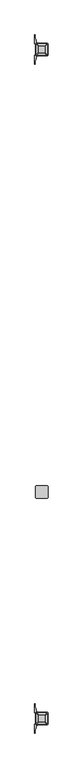
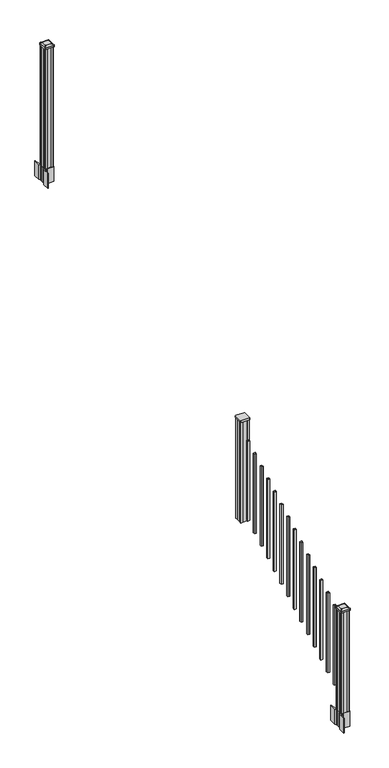
"""IFC4 building model written with IfcOpenShell, lengths in millimetres: railing geometry."""

from ifc_helpers import new_model, si_unit, point, frame, frame_2d, origin, place, context, project, spatial, polyline, circle_curve, trimmed, segment, composite_curve, outline, extrude, source, transform, mapped, element, save
from ifc_brep_helpers import plane_surface, extruded_surface, advanced_brep


def railing_d0639e33(model_context):
    return source(origin(), model_context, "Body", "SolidModel", [
        extrude(outline(composite_curve([segment(trimmed(circle_curve(frame_2d((7087.4114534, -6074.6042181)), 3.175), [point((7087.4114534, -6077.7792181))], [point((7084.2364534, -6074.6042181))], False, "CARTESIAN"), True, "CONTINUOUS"), segment(polyline([(7084.2364534, -6074.6042181), (7084.2364534, -5990.4667181)]), True, "CONTINUOUS"), segment(trimmed(circle_curve(frame_2d((7087.4114534, -5990.4667181)), 3.175), [point((7084.2364534, -5990.4667181))], [point((7087.4114534, -5987.2917181))], False, "CARTESIAN"), True, "CONTINUOUS"), segment(polyline([(7087.4114534, -5987.2917181), (7171.5489534, -5987.2917181)]), True, "CONTINUOUS"), segment(trimmed(circle_curve(frame_2d((7171.5489534, -5990.4667181)), 3.175), [point((7171.5489534, -5987.2917181))], [point((7174.7239534, -5990.4667181))], False, "CARTESIAN"), True, "CONTINUOUS"), segment(polyline([(7174.7239534, -5990.4667181), (7174.7239534, -6074.6042181)]), True, "CONTINUOUS"), segment(trimmed(circle_curve(frame_2d((7171.5489534, -6074.6042181)), 3.175), [point((7174.7239534, -6074.6042181))], [point((7171.5489534, -6077.7792181))], False, "CARTESIAN"), True, "CONTINUOUS"), segment(polyline([(7171.5489534, -6077.7792181), (7087.4114534, -6077.7792181)]), True, "CONTINUOUS")], self_intersect=False)), frame((0.0, 0.0, 2110.2998186), z_axis=(0.0, 0.0, 1.0), x_axis=(1.0, 0.0, 0.0)), (0.0, 0.0, 1.0), 17.272),
        extrude(outline(polyline([(7089.7927034, -6073.8104681), (7088.2052034, -6072.2229681), (7088.2052034, -6052.6014681), (7089.7927034, -6051.8394681), (7089.7927034, -6013.2314681), (7088.2052034, -6012.4694681), (7088.2052034, -5992.8479681), (7089.7927034, -5991.2604681), (7109.4142034, -5991.2604681), (7110.1762034, -5992.8479681), (7148.7842034, -5992.8479681), (7149.5462034, -5991.2604681), (7169.1677034, -5991.2604681), (7170.7552034, -5992.8479681), (7170.7552034, -6012.4694681), (7169.1677034, -6013.2314681), (7169.1677034, -6051.8394681), (7170.7552034, -6052.6014681), (7170.7552034, -6072.2229681), (7169.1677034, -6073.8104681), (7149.5462034, -6073.8104681), (7148.7842034, -6072.2229681), (7110.1762034, -6072.2229681), (7109.4142034, -6073.8104681), (7089.7927034, -6073.8104681)])), frame((0.0, 0.0, 1078.9355556), z_axis=(0.0, 0.0, 1.0), x_axis=(1.0, 0.0, 0.0)), (0.0, 0.0, 1.0), 1031.364263),
        extrude(outline(polyline([(7139.0052034, -6137.5644681), (7119.9552034, -6137.5644681), (7119.9552034, -6118.5144681), (7139.0052034, -6118.5144681), (7139.0052034, -6137.5644681)]), holes=[polyline([(7138.6083284, -6137.1675931), (7138.6083284, -6118.9113431), (7120.3520784, -6118.9113431), (7120.3520784, -6137.1675931), (7138.6083284, -6137.1675931)])]), frame((0.0, 0.0, 1127.4736558), z_axis=(0.0, 0.0, 1.0), x_axis=(1.0, 0.0, 0.0)), (0.0, 0.0, 1.0), 812.8041219),
        extrude(outline(polyline([(7139.0052034, -6248.8164681), (7119.9552034, -6248.8164681), (7119.9552034, -6229.7664681), (7139.0052034, -6229.7664681), (7139.0052034, -6248.8164681)]), holes=[polyline([(7138.6083284, -6248.4195931), (7138.6083284, -6230.1633431), (7120.3520784, -6230.1633431), (7120.3520784, -6248.4195931), (7138.6083284, -6248.4195931)])]), frame((0.0, 0.0, 1065.6669892), z_axis=(0.0, 0.0, 1.0), x_axis=(1.0, 0.0, 0.0)), (0.0, 0.0, 1.0), 812.8041219),
        extrude(outline(polyline([(7139.0052034, -6360.0684681), (7119.9552034, -6360.0684681), (7119.9552034, -6341.0184681), (7139.0052034, -6341.0184681), (7139.0052034, -6360.0684681)]), holes=[polyline([(7138.6083284, -6359.6715931), (7138.6083284, -6341.4153431), (7120.3520784, -6341.4153431), (7120.3520784, -6359.6715931), (7138.6083284, -6359.6715931)])]), frame((0.0, 0.0, 1003.8603225), z_axis=(0.0, 0.0, 1.0), x_axis=(1.0, 0.0, 0.0)), (0.0, 0.0, 1.0), 812.8041219),
        extrude(outline(polyline([(7139.0052034, -6471.3204681), (7119.9552034, -6471.3204681), (7119.9552034, -6452.2704681), (7139.0052034, -6452.2704681), (7139.0052034, -6471.3204681)]), holes=[polyline([(7138.6083284, -6470.9235931), (7138.6083284, -6452.6673431), (7120.3520784, -6452.6673431), (7120.3520784, -6470.9235931), (7138.6083284, -6470.9235931)])]), frame((0.0, 0.0, 942.0536558), z_axis=(0.0, 0.0, 1.0), x_axis=(1.0, 0.0, 0.0)), (0.0, 0.0, 1.0), 812.8041219),
        extrude(outline(polyline([(7139.0052034, -6582.5724681), (7119.9552034, -6582.5724681), (7119.9552034, -6563.5224681), (7139.0052034, -6563.5224681), (7139.0052034, -6582.5724681)]), holes=[polyline([(7138.6083284, -6582.1755931), (7138.6083284, -6563.9193431), (7120.3520784, -6563.9193431), (7120.3520784, -6582.1755931), (7138.6083284, -6582.1755931)])]), frame((0.0, 0.0, 880.2469892), z_axis=(0.0, 0.0, 1.0), x_axis=(1.0, 0.0, 0.0)), (0.0, 0.0, 1.0), 812.8041219),
        extrude(outline(polyline([(7139.0052034, -6693.8244681), (7119.9552034, -6693.8244681), (7119.9552034, -6674.7744681), (7139.0052034, -6674.7744681), (7139.0052034, -6693.8244681)]), holes=[polyline([(7138.6083284, -6693.4275931), (7138.6083284, -6675.1713431), (7120.3520784, -6675.1713431), (7120.3520784, -6693.4275931), (7138.6083284, -6693.4275931)])]), frame((0.0, 0.0, 818.4403225), z_axis=(0.0, 0.0, 1.0), x_axis=(1.0, 0.0, 0.0)), (0.0, 0.0, 1.0), 812.8041219),
        extrude(outline(polyline([(7139.0052034, -6805.0764681), (7119.9552034, -6805.0764681), (7119.9552034, -6786.0264681), (7139.0052034, -6786.0264681), (7139.0052034, -6805.0764681)]), holes=[polyline([(7138.6083284, -6804.6795931), (7138.6083284, -6786.4233431), (7120.3520784, -6786.4233431), (7120.3520784, -6804.6795931), (7138.6083284, -6804.6795931)])]), frame((0.0, 0.0, 756.6336558), z_axis=(0.0, 0.0, 1.0), x_axis=(1.0, 0.0, 0.0)), (0.0, 0.0, 1.0), 812.8041219),
        extrude(outline(polyline([(7139.0052034, -6916.3284681), (7119.9552034, -6916.3284681), (7119.9552034, -6897.2784681), (7139.0052034, -6897.2784681), (7139.0052034, -6916.3284681)]), holes=[polyline([(7138.6083284, -6915.9315931), (7138.6083284, -6897.6753431), (7120.3520784, -6897.6753431), (7120.3520784, -6915.9315931), (7138.6083284, -6915.9315931)])]), frame((0.0, 0.0, 694.8269892), z_axis=(0.0, 0.0, 1.0), x_axis=(1.0, 0.0, 0.0)), (0.0, 0.0, 1.0), 812.8041219),
        extrude(outline(polyline([(7139.0052034, -7027.5804681), (7119.9552034, -7027.5804681), (7119.9552034, -7008.5304681), (7139.0052034, -7008.5304681), (7139.0052034, -7027.5804681)]), holes=[polyline([(7138.6083284, -7027.1835931), (7138.6083284, -7008.9273431), (7120.3520784, -7008.9273431), (7120.3520784, -7027.1835931), (7138.6083284, -7027.1835931)])]), frame((0.0, 0.0, 633.0203225), z_axis=(0.0, 0.0, 1.0), x_axis=(1.0, 0.0, 0.0)), (0.0, 0.0, 1.0), 812.8041219),
        extrude(outline(polyline([(7139.0052034, -7138.8324681), (7119.9552034, -7138.8324681), (7119.9552034, -7119.7824681), (7139.0052034, -7119.7824681), (7139.0052034, -7138.8324681)]), holes=[polyline([(7138.6083284, -7138.4355931), (7138.6083284, -7120.1793431), (7120.3520784, -7120.1793431), (7120.3520784, -7138.4355931), (7138.6083284, -7138.4355931)])]), frame((0.0, 0.0, 571.2136558), z_axis=(0.0, 0.0, 1.0), x_axis=(1.0, 0.0, 0.0)), (0.0, 0.0, 1.0), 812.8041219),
        extrude(outline(polyline([(7139.0052034, -7250.0844681), (7119.9552034, -7250.0844681), (7119.9552034, -7231.0344681), (7139.0052034, -7231.0344681), (7139.0052034, -7250.0844681)]), holes=[polyline([(7138.6083284, -7249.6875931), (7138.6083284, -7231.4313431), (7120.3520784, -7231.4313431), (7120.3520784, -7249.6875931), (7138.6083284, -7249.6875931)])]), frame((0.0, 0.0, 509.4069892), z_axis=(0.0, 0.0, 1.0), x_axis=(1.0, 0.0, 0.0)), (0.0, 0.0, 1.0), 812.8041219),
        extrude(outline(polyline([(7139.0052034, -7361.3364681), (7119.9552034, -7361.3364681), (7119.9552034, -7342.2864681), (7139.0052034, -7342.2864681), (7139.0052034, -7361.3364681)]), holes=[polyline([(7138.6083284, -7360.9395931), (7138.6083284, -7342.6833431), (7120.3520784, -7342.6833431), (7120.3520784, -7360.9395931), (7138.6083284, -7360.9395931)])]), frame((0.0, 0.0, 447.6003225), z_axis=(0.0, 0.0, 1.0), x_axis=(1.0, 0.0, 0.0)), (0.0, 0.0, 1.0), 812.8041219),
        extrude(outline(polyline([(7139.0052034, -7472.5884681), (7119.9552034, -7472.5884681), (7119.9552034, -7453.5384681), (7139.0052034, -7453.5384681), (7139.0052034, -7472.5884681)]), holes=[polyline([(7138.6083284, -7472.1915931), (7138.6083284, -7453.9353431), (7120.3520784, -7453.9353431), (7120.3520784, -7472.1915931), (7138.6083284, -7472.1915931)])]), frame((0.0, 0.0, 385.7936558), z_axis=(0.0, 0.0, 1.0), x_axis=(1.0, 0.0, 0.0)), (0.0, 0.0, 1.0), 812.8041219),
        extrude(outline(polyline([(7139.0052034, -7583.8404681), (7119.9552034, -7583.8404681), (7119.9552034, -7564.7904681), (7139.0052034, -7564.7904681), (7139.0052034, -7583.8404681)]), holes=[polyline([(7138.6083284, -7583.4435931), (7138.6083284, -7565.1873431), (7120.3520784, -7565.1873431), (7120.3520784, -7583.4435931), (7138.6083284, -7583.4435931)])]), frame((0.0, 0.0, 323.9869892), z_axis=(0.0, 0.0, 1.0), x_axis=(1.0, 0.0, 0.0)), (0.0, 0.0, 1.0), 812.8041219),
        extrude(outline(polyline([(7089.7927034, -2792.8924681), (7088.2052034, -2791.3049681), (7088.2052034, -2771.6834681), (7089.7927034, -2770.9214681), (7089.7927034, -2732.3134681), (7088.2052034, -2731.5514681), (7088.2052034, -2711.9299681), (7089.7927034, -2710.3424681), (7109.4142034, -2710.3424681), (7110.1762034, -2711.9299681), (7148.7842034, -2711.9299681), (7149.5462034, -2710.3424681), (7169.1677034, -2710.3424681), (7170.7552034, -2711.9299681), (7170.7552034, -2731.5514681), (7169.1677034, -2732.3134681), (7169.1677034, -2770.9214681), (7170.7552034, -2771.6834681), (7170.7552034, -2791.3049681), (7169.1677034, -2792.8924681), (7149.5462034, -2792.8924681), (7148.7842034, -2791.3049681), (7110.1762034, -2791.3049681), (7109.4142034, -2792.8924681), (7089.7927034, -2792.8924681)])), frame((0.0, 0.0, 2709.3333333), z_axis=(0.0, 0.0, 1.0), x_axis=(1.0, 0.0, 0.0)), (0.0, 0.0, 1.0), 1223.6987075),
        extrude(outline(composite_curve([segment(polyline([(7172.2157034, -2769.003563), (7173.8032034, -2769.765563), (7173.8032034, -2792.567491), (7170.4302263, -2795.9404681), (7108.9705555, -2795.9404681), (7108.9705555, -2796.8612181), (7103.6530117, -2796.8612181), (7103.6530117, -2798.3154728), (7098.568482, -2798.3154728), (7098.568482, -2799.5994966), (7096.9012097, -2799.5994966)]), True, "CONTINUOUS"), segment(trimmed(circle_curve(frame_2d((7096.9012097, -2806.6589565)), 7.0594599), [point((7096.9012097, -2799.5994966))], [point((7090.1339468, -2804.6489498))], True, "CARTESIAN"), True, "CONTINUOUS"), segment(polyline([(7090.1339468, -2804.6489498), (7082.2597526, -2831.1596789)]), True, "CONTINUOUS"), segment(trimmed(circle_curve(frame_2d((7137.0442659, -2847.4317285)), 57.15), [point((7082.2597526, -2831.1596789))], [point((7079.8942659, -2847.4317285))], True, "CARTESIAN"), True, "CONTINUOUS"), segment(polyline([(7079.8942659, -2847.4317285), (7079.8942659, -2859.4404681), (7076.8942659, -2859.4404681), (7076.8942659, -2794.3529681), (7085.1572034, -2783.0146768), (7085.1572034, -2769.765563), (7086.7447034, -2769.003563), (7086.7447034, -2734.2313732), (7085.1572034, -2733.4693732), (7085.1572034, -2720.2202594), (7076.8942659, -2708.8819681), (7076.8942659, -2643.7944681), (7079.8942659, -2643.7944681), (7079.8942659, -2655.8032076)]), True, "CONTINUOUS"), segment(trimmed(circle_curve(frame_2d((7137.0442659, -2655.8032076)), 57.15), [point((7079.8942659, -2655.8032076))], [point((7082.2597526, -2672.0752573))], True, "CARTESIAN"), True, "CONTINUOUS"), segment(polyline([(7082.2597526, -2672.0752573), (7090.1339468, -2698.5859864)]), True, "CONTINUOUS"), segment(trimmed(circle_curve(frame_2d((7096.9012097, -2696.5759797)), 7.0594599), [point((7090.1339468, -2698.5859864))], [point((7096.9012097, -2703.6354396))], True, "CARTESIAN"), True, "CONTINUOUS"), segment(polyline([(7096.9012097, -2703.6354396), (7098.568482, -2703.6354396), (7098.568482, -2704.9194634), (7103.6530117, -2704.9194634), (7103.6530117, -2706.3737181), (7108.9705555, -2706.3737181), (7108.9705555, -2707.2944681), (7170.4302263, -2707.2944681), (7173.8032034, -2710.6674452), (7173.8032034, -2733.4693732), (7172.2157034, -2734.2313732), (7172.2157034, -2769.003563)]), True, "CONTINUOUS")], self_intersect=False), holes=[polyline([(7088.2052034, -2711.9299681), (7088.2052034, -2791.3049681), (7089.7927034, -2792.8924681), (7126.716986, -2792.8924681), (7169.1677034, -2792.8924681), (7170.7552034, -2791.3049681), (7170.7552034, -2711.9299681), (7169.1677034, -2710.3424681), (7126.716986, -2710.3424681), (7089.7927034, -2710.3424681), (7088.2052034, -2711.9299681)])]), frame((0.0, 0.0, 2556.9333333), z_axis=(0.0, 0.0, 1.0), x_axis=(1.0, 0.0, 0.0)), (0.0, 0.0, 1.0), 152.4),
        advanced_brep(
        [(7103.6833284, -2780.5893431, 3961.6070408), (7155.2770784, -2780.5893431, 3961.6070408), (7158.4520784, -2777.4143431, 3961.6070408), (7158.4520784, -2725.8205931, 3961.6070408), (7155.2770784, -2722.6455931, 3961.6070408), (7103.6833284, -2722.6455931, 3961.6070408), (7100.5083284, -2725.8205931, 3961.6070408), (7100.5083284, -2777.4143431, 3961.6070408), (7087.4114534, -2796.8612181, 3950.3040408), (7084.2364534, -2793.6862181, 3950.3040408), (7084.2364534, -2709.5487181, 3950.3040408), (7087.4114534, -2706.3737181, 3950.3040408), (7171.5489534, -2706.3737181, 3950.3040408), (7174.7239534, -2709.5487181, 3950.3040408), (7174.7239534, -2793.6862181, 3950.3040408), (7171.5489534, -2796.8612181, 3950.3040408)],
        [
            (0, 1),
            (1, 2, circle_curve(frame((7155.2770784, -2777.4143431, 3961.6070408), z_axis=(0.0, 0.0, 1.0), x_axis=(0.0, 1.0, 0.0)), 3.175)),
            (2, 3),
            (3, 4, circle_curve(frame((7155.2770784, -2725.8205931, 3961.6070408), z_axis=(0.0, 0.0, 1.0), x_axis=(0.0, 1.0, 0.0)), 3.175)),
            (4, 5),
            (5, 6, circle_curve(frame((7103.6833284, -2725.8205931, 3961.6070408), z_axis=(0.0, 0.0, 1.0), x_axis=(0.0, 1.0, 0.0)), 3.175)),
            (6, 7),
            (7, 0, circle_curve(frame((7103.6833284, -2777.4143431, 3961.6070408), z_axis=(0.0, 0.0, 1.0), x_axis=(0.0, 1.0, 0.0)), 3.175)),
            (8, 9, circle_curve(frame((7087.4114534, -2793.6862181, 3950.3040408), z_axis=(0.0, 0.0, -1.0), x_axis=(0.0, 1.0, 0.0)), 3.175)),
            (9, 10),
            (10, 11, circle_curve(frame((7087.4114534, -2709.5487181, 3950.3040408), z_axis=(0.0, 0.0, -1.0), x_axis=(0.0, 1.0, 0.0)), 3.175)),
            (11, 12),
            (12, 13, circle_curve(frame((7171.5489534, -2709.5487181, 3950.3040408), z_axis=(0.0, 0.0, -1.0), x_axis=(0.0, 1.0, 0.0)), 3.175)),
            (13, 14),
            (14, 15, circle_curve(frame((7171.5489534, -2793.6862181, 3950.3040408), z_axis=(0.0, 0.0, -1.0), x_axis=(0.0, 1.0, 0.0)), 3.175)),
            (15, 8),
            (8, 0),
            (7, 9),
            (6, 10),
            (5, 11),
            (4, 12),
            (3, 13),
            (2, 14),
            (1, 15),
        ],
        [
            plane_surface(frame((7129.4802034, -2751.6174681, 3961.6070408), z_axis=(0.0, 0.0, 1.0), x_axis=(-1.0, 0.0, 0.0))),
            plane_surface(frame((7129.4802034, -2751.6174681, 3950.3040408), z_axis=(0.0, 0.0, -1.0), x_axis=(-1.0, 0.0, 0.0))),
            extruded_surface(trimmed(circle_curve(frame((7103.6833284, -2777.4143431, 3961.6070408), z_axis=(0.0, 0.0, -1.0), x_axis=(0.0, 1.0, 0.0)), 3.175), [point((7103.6833284, -2780.5893431, 3961.6070408))], [point((7100.5083284, -2777.4143431, 3961.6070408))], True, "CARTESIAN"), (-16.271875000000364, -16.27187499999991, -11.302999999999884), 25.637972638866284),
            plane_surface(frame((7084.2364534, -2751.6174681, 3950.3040408), z_axis=(-0.5705009161540686, 0.0, 0.8212969649690474), x_axis=(0.0, 1.0, 0.0))),
            extruded_surface(trimmed(circle_curve(frame((7103.6833284, -2725.8205931, 3961.6070408), z_axis=(0.0, 0.0, -1.0), x_axis=(0.0, 1.0, 0.0)), 3.175), [point((7100.5083284, -2725.8205931, 3961.6070408))], [point((7103.6833284, -2722.6455931, 3961.6070408))], True, "CARTESIAN"), (-16.271875000000364, 16.271875000000364, -11.302999999999884), 25.63797263886657),
            plane_surface(frame((7129.4802034, -2706.3737181, 3950.3040408), z_axis=(0.0, 0.5705009161540291, 0.8212969649690747), x_axis=(1.0, 0.0, 0.0))),
            extruded_surface(trimmed(circle_curve(frame((7155.2770784, -2725.8205931, 3961.6070408), z_axis=(0.0, 0.0, -1.0), x_axis=(0.0, 1.0, 0.0)), 3.175), [point((7155.2770784, -2722.6455931, 3961.6070408))], [point((7158.4520784, -2725.8205931, 3961.6070408))], True, "CARTESIAN"), (16.271874999999454, 16.271875000000364, -11.302999999999884), 25.637972638865996),
            plane_surface(frame((7174.7239534, -2751.6174681, 3950.3040408), z_axis=(0.5705009161540234, 0.0, 0.8212969649690787), x_axis=(0.0, -1.0, 0.0))),
            extruded_surface(trimmed(circle_curve(frame((7155.2770784, -2777.4143431, 3961.6070408), z_axis=(0.0, 0.0, -1.0), x_axis=(0.0, 1.0, 0.0)), 3.175), [point((7158.4520784, -2777.4143431, 3961.6070408))], [point((7155.2770784, -2780.5893431, 3961.6070408))], True, "CARTESIAN"), (16.271874999999454, -16.27187499999991, -11.302999999999884), 25.63797263886571),
            plane_surface(frame((7129.4802034, -2796.8612181, 3950.3040408), z_axis=(0.0, -0.570500916154034, 0.8212969649690713), x_axis=(-1.0, 0.0, 0.0))),
        ],
        [
            (0, [[1, 2, 3, 4, 5, 6, 7, 8]]),
            (1, [[9, 10, 11, 12, 13, 14, 15, 16]]),
            (2, [[17, -8, 18, -9]]),
            (3, [[-18, -7, 19, -10]]),
            (4, [[-19, -6, 20, -11]]),
            (5, [[-20, -5, 21, -12]]),
            (6, [[-21, -4, 22, -13]]),
            (7, [[-22, -3, 23, -14]]),
            (8, [[-23, -2, 24, -15]]),
            (9, [[-24, -1, -17, -16]]),
        ],
    ),
        extrude(outline(composite_curve([segment(trimmed(circle_curve(frame_2d((7087.4114534, -2793.6862181)), 3.175), [point((7087.4114534, -2796.8612181))], [point((7084.2364534, -2793.6862181))], False, "CARTESIAN"), True, "CONTINUOUS"), segment(polyline([(7084.2364534, -2793.6862181), (7084.2364534, -2709.5487181)]), True, "CONTINUOUS"), segment(trimmed(circle_curve(frame_2d((7087.4114534, -2709.5487181)), 3.175), [point((7084.2364534, -2709.5487181))], [point((7087.4114534, -2706.3737181))], False, "CARTESIAN"), True, "CONTINUOUS"), segment(polyline([(7087.4114534, -2706.3737181), (7171.5489534, -2706.3737181)]), True, "CONTINUOUS"), segment(trimmed(circle_curve(frame_2d((7171.5489534, -2709.5487181)), 3.175), [point((7171.5489534, -2706.3737181))], [point((7174.7239534, -2709.5487181))], False, "CARTESIAN"), True, "CONTINUOUS"), segment(polyline([(7174.7239534, -2709.5487181), (7174.7239534, -2793.6862181)]), True, "CONTINUOUS"), segment(trimmed(circle_curve(frame_2d((7171.5489534, -2793.6862181)), 3.175), [point((7174.7239534, -2793.6862181))], [point((7171.5489534, -2796.8612181))], False, "CARTESIAN"), True, "CONTINUOUS"), segment(polyline([(7171.5489534, -2796.8612181), (7087.4114534, -2796.8612181)]), True, "CONTINUOUS")], self_intersect=False)), frame((0.0, 0.0, 3933.0320408), z_axis=(0.0, 0.0, 1.0), x_axis=(1.0, 0.0, 0.0)), (0.0, 0.0, 1.0), 17.272),
        extrude(outline(composite_curve([segment(polyline([(7172.2157034, -7728.607563), (7173.8032034, -7729.369563), (7173.8032034, -7752.171491), (7170.4302263, -7755.5444681), (7108.9705555, -7755.5444681), (7108.9705555, -7756.4652181), (7103.6530117, -7756.4652181), (7103.6530117, -7757.9194728), (7098.568482, -7757.9194728), (7098.568482, -7759.2034966), (7096.9012097, -7759.2034966)]), True, "CONTINUOUS"), segment(trimmed(circle_curve(frame_2d((7096.9012097, -7766.2629565)), 7.0594599), [point((7096.9012097, -7759.2034966))], [point((7090.1339468, -7764.2529498))], True, "CARTESIAN"), True, "CONTINUOUS"), segment(polyline([(7090.1339468, -7764.2529498), (7082.2597526, -7790.7636789)]), True, "CONTINUOUS"), segment(trimmed(circle_curve(frame_2d((7137.0442659, -7807.0357285)), 57.15), [point((7082.2597526, -7790.7636789))], [point((7079.8942659, -7807.0357285))], True, "CARTESIAN"), True, "CONTINUOUS"), segment(polyline([(7079.8942659, -7807.0357285), (7079.8942659, -7819.0444681), (7076.8942659, -7819.0444681), (7076.8942659, -7753.9569681), (7085.1572034, -7742.6186768), (7085.1572034, -7729.369563), (7086.7447034, -7728.607563), (7086.7447034, -7693.8353732), (7085.1572034, -7693.0733732), (7085.1572034, -7679.8242594), (7076.8942659, -7668.4859681), (7076.8942659, -7603.3984681), (7079.8942659, -7603.3984681), (7079.8942659, -7615.4072076)]), True, "CONTINUOUS"), segment(trimmed(circle_curve(frame_2d((7137.0442659, -7615.4072076)), 57.15), [point((7079.8942659, -7615.4072076))], [point((7082.2597526, -7631.6792573))], True, "CARTESIAN"), True, "CONTINUOUS"), segment(polyline([(7082.2597526, -7631.6792573), (7090.1339468, -7658.1899864)]), True, "CONTINUOUS"), segment(trimmed(circle_curve(frame_2d((7096.9012097, -7656.1799797)), 7.0594599), [point((7090.1339468, -7658.1899864))], [point((7096.9012097, -7663.2394396))], True, "CARTESIAN"), True, "CONTINUOUS"), segment(polyline([(7096.9012097, -7663.2394396), (7098.568482, -7663.2394396), (7098.568482, -7664.5234634), (7103.6530117, -7664.5234634), (7103.6530117, -7665.9777181), (7108.9705555, -7665.9777181), (7108.9705555, -7666.8984681), (7170.4302263, -7666.8984681), (7173.8032034, -7670.2714452), (7173.8032034, -7693.0733732), (7172.2157034, -7693.8353732), (7172.2157034, -7728.607563)]), True, "CONTINUOUS")], self_intersect=False), holes=[polyline([(7088.2052034, -7671.5339681), (7088.2052034, -7750.9089681), (7089.7927034, -7752.4964681), (7126.716986, -7752.4964681), (7169.1677034, -7752.4964681), (7170.7552034, -7750.9089681), (7170.7552034, -7671.5339681), (7169.1677034, -7669.9464681), (7126.716986, -7669.9464681), (7089.7927034, -7669.9464681), (7088.2052034, -7671.5339681)])]), frame((0.0, 0.0, -6.0677778), z_axis=(0.0, 0.0, 1.0), x_axis=(1.0, 0.0, 0.0)), (0.0, 0.0, 1.0), 152.4),
        advanced_brep(
        [(7103.6833284, -7740.1933431, 1206.2714852), (7155.2770784, -7740.1933431, 1206.2714852), (7158.4520784, -7737.0183431, 1206.2714852), (7158.4520784, -7685.4245931, 1206.2714852), (7155.2770784, -7682.2495931, 1206.2714852), (7103.6833284, -7682.2495931, 1206.2714852), (7100.5083284, -7685.4245931, 1206.2714852), (7100.5083284, -7737.0183431, 1206.2714852), (7087.4114534, -7756.4652181, 1194.9684852), (7084.2364534, -7753.2902181, 1194.9684852), (7084.2364534, -7669.1527181, 1194.9684852), (7087.4114534, -7665.9777181, 1194.9684852), (7171.5489534, -7665.9777181, 1194.9684852), (7174.7239534, -7669.1527181, 1194.9684852), (7174.7239534, -7753.2902181, 1194.9684852), (7171.5489534, -7756.4652181, 1194.9684852)],
        [
            (0, 1),
            (1, 2, circle_curve(frame((7155.2770784, -7737.0183431, 1206.2714852), z_axis=(0.0, 0.0, 1.0), x_axis=(0.0, 1.0, 0.0)), 3.175)),
            (2, 3),
            (3, 4, circle_curve(frame((7155.2770784, -7685.4245931, 1206.2714852), z_axis=(0.0, 0.0, 1.0), x_axis=(0.0, 1.0, 0.0)), 3.175)),
            (4, 5),
            (5, 6, circle_curve(frame((7103.6833284, -7685.4245931, 1206.2714852), z_axis=(0.0, 0.0, 1.0), x_axis=(0.0, 1.0, 0.0)), 3.175)),
            (6, 7),
            (7, 0, circle_curve(frame((7103.6833284, -7737.0183431, 1206.2714852), z_axis=(0.0, 0.0, 1.0), x_axis=(0.0, 1.0, 0.0)), 3.175)),
            (8, 9, circle_curve(frame((7087.4114534, -7753.2902181, 1194.9684852), z_axis=(0.0, 0.0, -1.0), x_axis=(0.0, 1.0, 0.0)), 3.175)),
            (9, 10),
            (10, 11, circle_curve(frame((7087.4114534, -7669.1527181, 1194.9684852), z_axis=(0.0, 0.0, -1.0), x_axis=(0.0, 1.0, 0.0)), 3.175)),
            (11, 12),
            (12, 13, circle_curve(frame((7171.5489534, -7669.1527181, 1194.9684852), z_axis=(0.0, 0.0, -1.0), x_axis=(0.0, 1.0, 0.0)), 3.175)),
            (13, 14),
            (14, 15, circle_curve(frame((7171.5489534, -7753.2902181, 1194.9684852), z_axis=(0.0, 0.0, -1.0), x_axis=(0.0, 1.0, 0.0)), 3.175)),
            (15, 8),
            (8, 0),
            (7, 9),
            (6, 10),
            (5, 11),
            (4, 12),
            (3, 13),
            (2, 14),
            (1, 15),
        ],
        [
            plane_surface(frame((7129.4802034, -7711.2214681, 1206.2714852), z_axis=(0.0, 0.0, 1.0), x_axis=(-1.0, 0.0, 0.0))),
            plane_surface(frame((7129.4802034, -7711.2214681, 1194.9684852), z_axis=(0.0, 0.0, -1.0), x_axis=(-1.0, 0.0, 0.0))),
            extruded_surface(trimmed(circle_curve(frame((7103.6833284, -7737.0183431, 1206.2714852), z_axis=(0.0, 0.0, -1.0), x_axis=(0.0, 1.0, 0.0)), 3.175), [point((7103.6833284, -7740.1933431, 1206.2714852))], [point((7100.5083284, -7737.0183431, 1206.2714852))], True, "CARTESIAN"), (-16.271875000000364, -16.271875000000364, -11.302999999999884), 25.63797263886657),
            plane_surface(frame((7084.2364534, -7711.2214681, 1194.9684852), z_axis=(-0.5705009161540778, 0.0, 0.8212969649690408), x_axis=(0.0, 1.0, 0.0))),
            extruded_surface(trimmed(circle_curve(frame((7103.6833284, -7685.4245931, 1206.2714852), z_axis=(0.0, 0.0, -1.0), x_axis=(0.0, 1.0, 0.0)), 3.175), [point((7100.5083284, -7685.4245931, 1206.2714852))], [point((7103.6833284, -7682.2495931, 1206.2714852))], True, "CARTESIAN"), (-16.271875000000364, 16.271874999999454, -11.302999999999884), 25.637972638865996),
            plane_surface(frame((7129.4802034, -7665.9777181, 1194.9684852), z_axis=(0.0, 0.5705009161540291, 0.8212969649690747), x_axis=(1.0, 0.0, 0.0))),
            extruded_surface(trimmed(circle_curve(frame((7155.2770784, -7685.4245931, 1206.2714852), z_axis=(0.0, 0.0, -1.0), x_axis=(0.0, 1.0, 0.0)), 3.175), [point((7155.2770784, -7682.2495931, 1206.2714852))], [point((7158.4520784, -7685.4245931, 1206.2714852))], True, "CARTESIAN"), (16.271874999999454, 16.271874999999454, -11.302999999999884), 25.63797263886542),
            plane_surface(frame((7174.7239534, -7711.2214681, 1194.9684852), z_axis=(0.5705009161540142, 0.0, 0.8212969649690851), x_axis=(0.0, -1.0, 0.0))),
            extruded_surface(trimmed(circle_curve(frame((7155.2770784, -7737.0183431, 1206.2714852), z_axis=(0.0, 0.0, -1.0), x_axis=(0.0, 1.0, 0.0)), 3.175), [point((7158.4520784, -7737.0183431, 1206.2714852))], [point((7155.2770784, -7740.1933431, 1206.2714852))], True, "CARTESIAN"), (16.271874999999454, -16.271875000000364, -11.302999999999884), 25.637972638865996),
            plane_surface(frame((7129.4802034, -7756.4652181, 1194.9684852), z_axis=(0.0, -0.570500916154034, 0.8212969649690713), x_axis=(-1.0, 0.0, 0.0))),
        ],
        [
            (0, [[1, 2, 3, 4, 5, 6, 7, 8]]),
            (1, [[9, 10, 11, 12, 13, 14, 15, 16]]),
            (2, [[17, -8, 18, -9]]),
            (3, [[-18, -7, 19, -10]]),
            (4, [[-19, -6, 20, -11]]),
            (5, [[-20, -5, 21, -12]]),
            (6, [[-21, -4, 22, -13]]),
            (7, [[-22, -3, 23, -14]]),
            (8, [[-23, -2, 24, -15]]),
            (9, [[-24, -1, -17, -16]]),
        ],
    ),
        extrude(outline(composite_curve([segment(trimmed(circle_curve(frame_2d((7087.4114534, -7753.2902181)), 3.175), [point((7087.4114534, -7756.4652181))], [point((7084.2364534, -7753.2902181))], False, "CARTESIAN"), True, "CONTINUOUS"), segment(polyline([(7084.2364534, -7753.2902181), (7084.2364534, -7669.1527181)]), True, "CONTINUOUS"), segment(trimmed(circle_curve(frame_2d((7087.4114534, -7669.1527181)), 3.175), [point((7084.2364534, -7669.1527181))], [point((7087.4114534, -7665.9777181))], False, "CARTESIAN"), True, "CONTINUOUS"), segment(polyline([(7087.4114534, -7665.9777181), (7171.5489534, -7665.9777181)]), True, "CONTINUOUS"), segment(trimmed(circle_curve(frame_2d((7171.5489534, -7669.1527181)), 3.175), [point((7171.5489534, -7665.9777181))], [point((7174.7239534, -7669.1527181))], False, "CARTESIAN"), True, "CONTINUOUS"), segment(polyline([(7174.7239534, -7669.1527181), (7174.7239534, -7753.2902181)]), True, "CONTINUOUS"), segment(trimmed(circle_curve(frame_2d((7171.5489534, -7753.2902181)), 3.175), [point((7174.7239534, -7753.2902181))], [point((7171.5489534, -7756.4652181))], False, "CARTESIAN"), True, "CONTINUOUS"), segment(polyline([(7171.5489534, -7756.4652181), (7087.4114534, -7756.4652181)]), True, "CONTINUOUS")], self_intersect=False)), frame((0.0, 0.0, 1177.6964852), z_axis=(0.0, 0.0, 1.0), x_axis=(1.0, 0.0, 0.0)), (0.0, 0.0, 1.0), 17.272),
        extrude(outline(polyline([(7089.7927034, -7752.4964681), (7088.2052034, -7750.9089681), (7088.2052034, -7731.2874681), (7089.7927034, -7730.5254681), (7089.7927034, -7691.9174681), (7088.2052034, -7691.1554681), (7088.2052034, -7671.5339681), (7089.7927034, -7669.9464681), (7109.4142034, -7669.9464681), (7110.1762034, -7671.5339681), (7148.7842034, -7671.5339681), (7149.5462034, -7669.9464681), (7169.1677034, -7669.9464681), (7170.7552034, -7671.5339681), (7170.7552034, -7691.1554681), (7169.1677034, -7691.9174681), (7169.1677034, -7730.5254681), (7170.7552034, -7731.2874681), (7170.7552034, -7750.9089681), (7169.1677034, -7752.4964681), (7149.5462034, -7752.4964681), (7148.7842034, -7750.9089681), (7110.1762034, -7750.9089681), (7109.4142034, -7752.4964681), (7089.7927034, -7752.4964681)])), frame((0.0, 0.0, 146.3322222), z_axis=(0.0, 0.0, 1.0), x_axis=(1.0, 0.0, 0.0)), (0.0, 0.0, 1.0), 1031.364263),
    ])


if __name__ == "__main__":
    model = new_model("IFC4")
    model_context = context("Model", 3, world=origin())
    ifc_project = project(units=[si_unit("LENGTHUNIT", "METRE", prefix="MILLI")], contexts=[model_context])
    site = spatial("IfcSite", under=ifc_project)
    building = spatial("IfcBuilding", under=site)
    placement = place(None, origin())
    railing_shape = railing_d0639e33(model_context)
    element("IfcRailing", 1, at=placement, inside=building, context=model_context, shape_type="MappedRepresentation", body=[
        mapped(railing_shape, transform((0.0, 0.0, 0.0), x_axis=(1.0, 0.0, 0.0), y_axis=(0.0, 1.0, 0.0), z_axis=(0.0, 0.0, 1.0))),
    ])
    save(model, "model.ifc")
